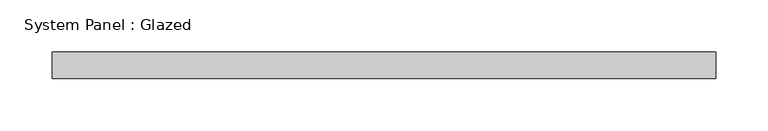
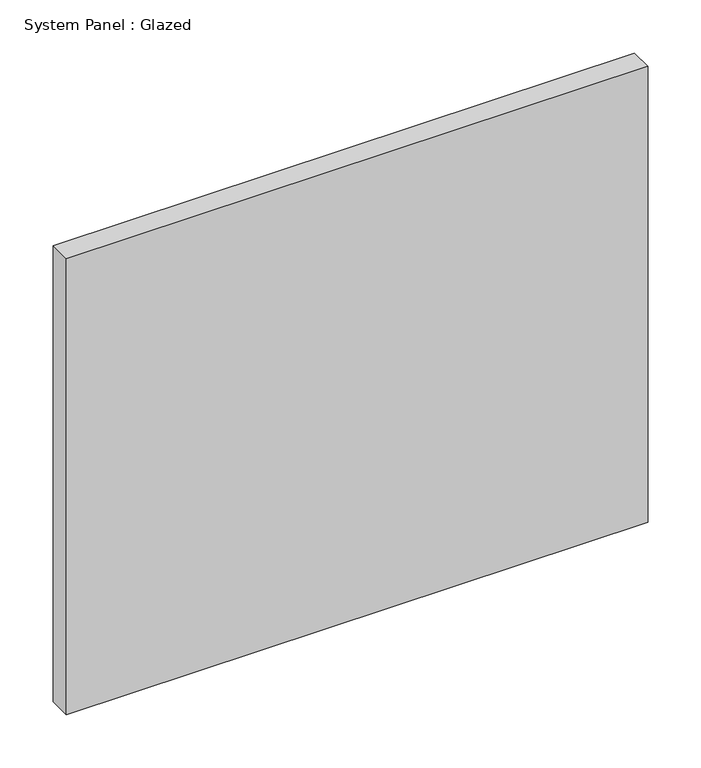
"""IFC4 building model written with IfcOpenShell, lengths in millimetres: plate geometry, System Panel : Glazed."""

from ifc_helpers import new_model, si_unit, origin, origin_with_axes, place, context, project, spatial, polyline, outline, extrude, source, transform, mapped, element, save


def system_panel_glazed_caf6b89e(model_context):
    return source(origin(), model_context, "Body", "SweptSolid", [
        extrude(outline(polyline([(316.6666667, -49.5), (-316.6666667, -49.5), (-316.6666667, -24.5), (316.6666667, -24.5), (316.6666667, -49.5)])), origin_with_axes(), (0.0, 0.0, 1.0), 525.0),
    ])


if __name__ == "__main__":
    model = new_model("IFC4")
    model_context = context("Model", 3, world=origin())
    ifc_project = project(units=[si_unit("LENGTHUNIT", "METRE", prefix="MILLI")], contexts=[model_context])
    site = spatial("IfcSite", under=ifc_project)
    building = spatial("IfcBuilding", under=site)
    placement = place(None, origin())
    system_panel_glazed_shape = system_panel_glazed_caf6b89e(model_context)
    element("IfcPlate", 1, ObjectType="System Panel : Glazed", at=placement, inside=building, context=model_context, shape_type="MappedRepresentation", body=[
        mapped(system_panel_glazed_shape, transform((0.0, 0.0, 0.0), x_axis=(1.0, 0.0, 0.0), y_axis=(0.0, 1.0, 0.0), z_axis=(0.0, 0.0, 1.0))),
    ])
    save(model, "model.ifc")
